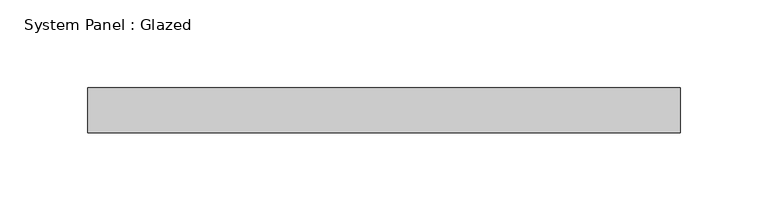
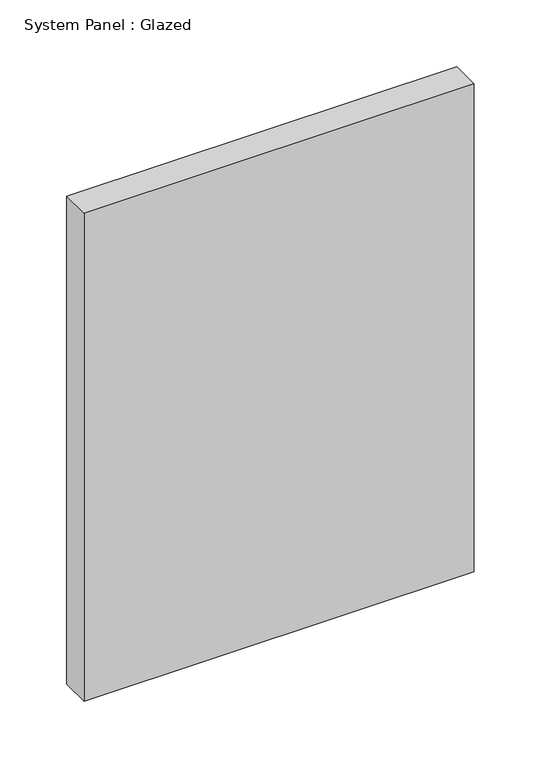
"""IFC4 building model written with IfcOpenShell, lengths in millimetres: plate geometry, System Panel : Glazed."""

from ifc_helpers import new_model, si_unit, origin, origin_with_axes, place, context, project, spatial, polyline, outline, extrude, source, transform, mapped, element, save


def system_panel_glazed_5e035f40(model_context):
    return source(origin(), model_context, "Body", "SweptSolid", [
        extrude(outline(polyline([(168.275, -12.7), (-168.275, -12.7), (-168.275, 12.7), (168.275, 12.7), (168.275, -12.7)])), origin_with_axes(), (0.0, 0.0, 1.0), 444.5),
    ])


if __name__ == "__main__":
    model = new_model("IFC4")
    model_context = context("Model", 3, world=origin())
    ifc_project = project(units=[si_unit("LENGTHUNIT", "METRE", prefix="MILLI")], contexts=[model_context])
    site = spatial("IfcSite", under=ifc_project)
    building = spatial("IfcBuilding", under=site)
    placement = place(None, origin())
    system_panel_glazed_shape = system_panel_glazed_5e035f40(model_context)
    element("IfcPlate", 1, ObjectType="System Panel : Glazed", at=placement, inside=building, context=model_context, shape_type="MappedRepresentation", body=[
        mapped(system_panel_glazed_shape, transform((0.0, 0.0, 0.0), x_axis=(1.0, 0.0, 0.0), y_axis=(0.0, 1.0, 0.0), z_axis=(0.0, 0.0, 1.0))),
    ])
    save(model, "model.ifc")
